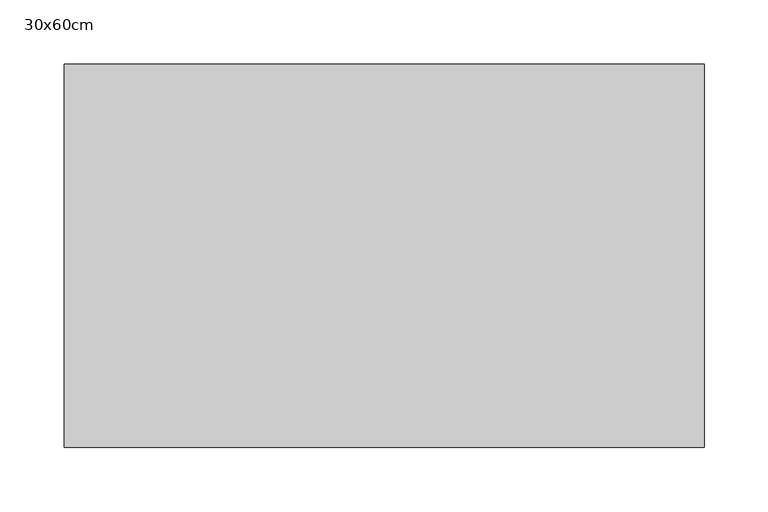
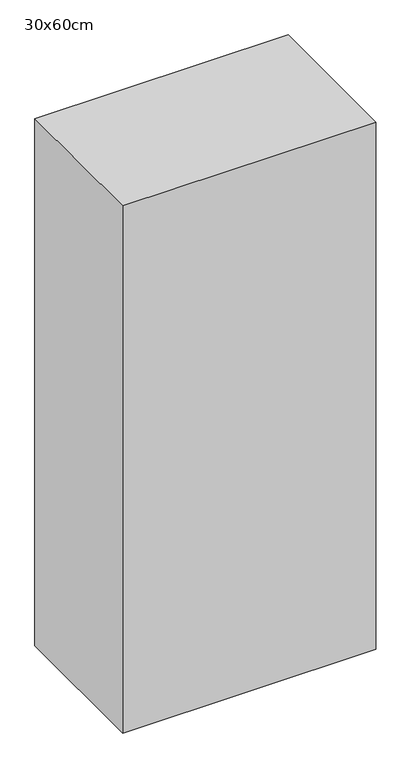
"""IFC4 building model written with IfcOpenShell, lengths in millimetres: proxy geometry, 30x60cm."""

from ifc_helpers import new_model, si_unit, frame, origin, place, context, project, spatial, polyline, outline, extrude, source, transform, mapped, element, save


def proxy_30x60cm_89489015(model_context):
    return source(origin(), model_context, "Body", "SweptSolid", [
        extrude(outline(polyline([(500.0, 300.0), (500.0, 0.0), (0.0, 0.0), (0.0, 300.0), (500.0, 300.0)])), frame((0.0, 0.0, 1300.0), z_axis=(0.0, 0.0, 1.0), x_axis=(1.0, 0.0, 0.0)), (0.0, 0.0, 1.0), 1100.0),
    ])


if __name__ == "__main__":
    model = new_model("IFC4")
    model_context = context("Model", 3, world=origin())
    ifc_project = project(units=[si_unit("LENGTHUNIT", "METRE", prefix="MILLI")], contexts=[model_context])
    site = spatial("IfcSite", under=ifc_project)
    building = spatial("IfcBuilding", under=site)
    placement = place(None, origin())
    proxy_30x60cm_shape = proxy_30x60cm_89489015(model_context)
    element("IfcBuildingElementProxy", 1, Name="30x60cm", ObjectType="30x60cm", at=placement, inside=building, context=model_context, shape_type="MappedRepresentation", body=[
        mapped(proxy_30x60cm_shape, transform((0.0, 0.0, 0.0), x_axis=(1.0, 0.0, 0.0), y_axis=(0.0, 1.0, 0.0), z_axis=(0.0, 0.0, 1.0))),
    ])
    save(model, "model.ifc")
